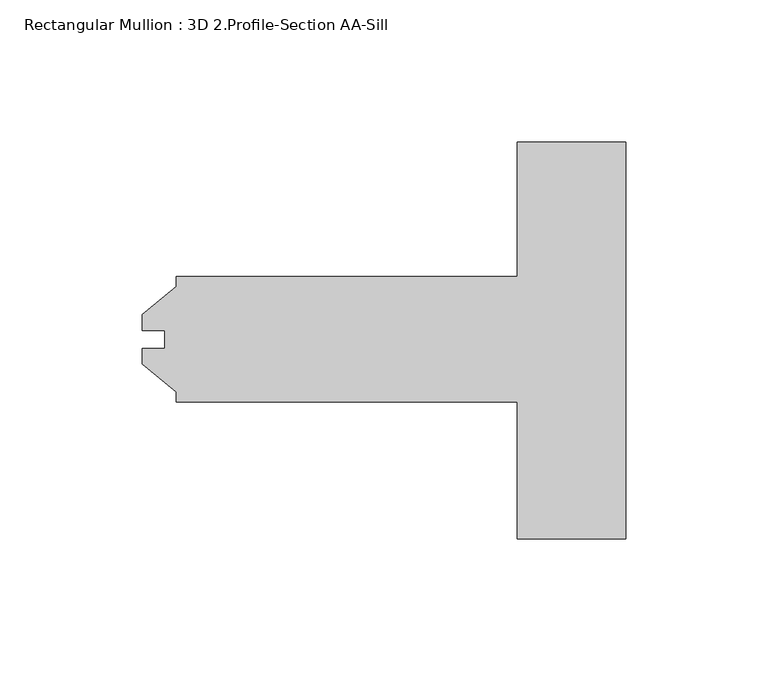
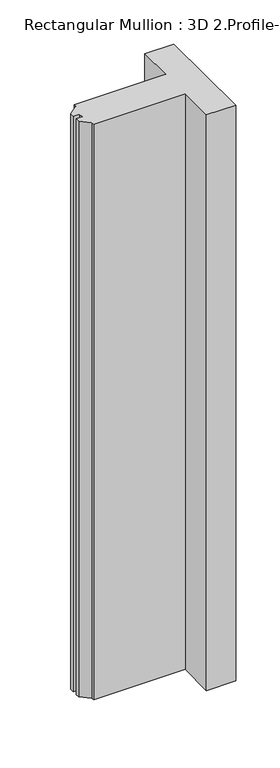
"""IFC4 building model written with IfcOpenShell, lengths in millimetres: member geometry, Rectangular Mullion : 3D 2.Profile-Section AA-Sill."""

import ifcopenshell
import ifcopenshell.guid

model = None  # the IFC model being written
_history = None  # IfcOwnerHistory: only IFC2X3 demands one
_inside = {}  # id of a spatial element -> (the spatial element, [elements in it])
_under = {}  # id of a project, library or spatial element -> (it, [spatial elements below it])
_declared = {}  # id of a project -> (the project, [libraries it declares])
_typed = {}  # id of a type object -> (the type object, [elements of that type])
_made_of = {}  # id of a material, layer set ... -> (it, [elements and type objects made of it])


def new_model(schema):
    """Start an empty IFC model of exactly this schema.

    Asked for "IFC4X3", IfcOpenShell would pick the latest addendum, in which some entities
    have other attributes; the version numbers below select the first issue.
    IFC2X3 requires an IfcOwnerHistory on every rooted entity: one is made here for all.
    """
    global model, _history
    if schema == "IFC4X3":
        model = ifcopenshell.file(schema_version=(4, 3, 0, 0))
    else:
        model = ifcopenshell.file(schema=schema)
    _inside.clear()
    _under.clear()
    _declared.clear()
    _typed.clear()
    _made_of.clear()
    _history = None
    if model.schema == "IFC2X3":
        org = make("IfcOrganization", Name="unknown")
        user = make(
            "IfcPersonAndOrganization",
            ThePerson=make("IfcPerson", FamilyName="unknown"),
            TheOrganization=org,
        )
        app = make(
            "IfcApplication",
            ApplicationDeveloper=org,
            Version="unknown",
            ApplicationFullName="unknown",
            ApplicationIdentifier="unknown",
        )
        _history = make(
            "IfcOwnerHistory",
            OwningUser=user,
            OwningApplication=app,
            ChangeAction="ADDED",
            CreationDate=0,
        )
    return model


def make(cls, **values):
    """One entity of the class cls with the attributes given. An attribute that is None is left unset."""
    return model.create_entity(
        cls, **{name: value for name, value in values.items() if value is not None}
    )


def rooted(cls, **values):
    """An entity with a GlobalId (a new one), such as an element, a storey or a relation."""
    return make(cls, GlobalId=ifcopenshell.guid.new(), OwnerHistory=_history, **values)


def si_unit(unit_type, name, prefix=None):
    """IfcSIUnit, for example si_unit("LENGTHUNIT", "METRE", prefix="MILLI")."""
    return make("IfcSIUnit", UnitType=unit_type, Prefix=prefix, Name=name)


def assignment(units):
    """IfcUnitAssignment: the units of a project."""
    return None if units is None else make("IfcUnitAssignment", Units=units)


def point(xyz):
    """IfcCartesianPoint."""
    return None if xyz is None else make("IfcCartesianPoint", Coordinates=xyz)


def direction(xyz):
    """IfcDirection."""
    return None if xyz is None else make("IfcDirection", DirectionRatios=xyz)


def frame(location, z_axis=None, x_axis=None):
    """IfcAxis2Placement3D, a coordinate frame: its origin and axes. An axis left out is left unset."""
    return make(
        "IfcAxis2Placement3D",
        Location=point(location),
        Axis=direction(z_axis),
        RefDirection=direction(x_axis),
    )


def origin():
    """The frame at (0, 0, 0) with its axes left unset."""
    return frame((0.0, 0.0, 0.0))


def place(relative_to, where):
    """IfcLocalPlacement: puts the frame where relative to a parent placement (None: the world)."""
    return make(
        "IfcLocalPlacement", PlacementRelTo=relative_to, RelativePlacement=where
    )


def context(
    kind, dimensions, precision=None, world=None, true_north=None, identifier=None
):
    """IfcGeometricRepresentationContext, for example the 3D "Model" context."""
    return make(
        "IfcGeometricRepresentationContext",
        ContextIdentifier=identifier,
        ContextType=kind,
        CoordinateSpaceDimension=dimensions,
        Precision=precision,
        WorldCoordinateSystem=world,
        TrueNorth=true_north,
    )


def project(units=None, contexts=None):
    """IfcProject with its units and contexts."""
    return rooted(
        "IfcProject",
        Name="project",
        RepresentationContexts=contexts,
        UnitsInContext=assignment(units),
    )


def spatial(cls, under=None, at=None, **own):
    """A site, building, storey or space (cls), placed at a placement, below another one or the project."""
    s = rooted(cls, ObjectPlacement=at, **own)
    if under is not None:
        _under.setdefault(under.id(), (under, []))[1].append(s)
    return s


def polyline(points):
    """IfcPolyline through the points."""
    return make("IfcPolyline", Points=[point(p) for p in points])


def outline(outer, holes=None, kind="AREA"):
    """IfcArbitraryClosedProfileDef: a profile drawn as a closed curve; with holes, ...WithVoids."""
    if holes is None:
        return make("IfcArbitraryClosedProfileDef", ProfileType=kind, OuterCurve=outer)
    return make(
        "IfcArbitraryProfileDefWithVoids",
        ProfileType=kind,
        OuterCurve=outer,
        InnerCurves=holes,
    )


def extrude(swept, where, along, depth):
    """IfcExtrudedAreaSolid: the profile swept, set in the frame where, extruded along a direction by depth."""
    return make(
        "IfcExtrudedAreaSolid",
        SweptArea=swept,
        Position=where,
        ExtrudedDirection=direction(along),
        Depth=depth,
    )


def shape(context_of_items, identifier, shape_type, items):
    """IfcShapeRepresentation: the items that make up one representation, for example the "Body"."""
    return make(
        "IfcShapeRepresentation",
        ContextOfItems=context_of_items,
        RepresentationIdentifier=identifier,
        RepresentationType=shape_type,
        Items=items,
    )


def source(mapping_origin, context_of_items, identifier, shape_type, items):
    """IfcRepresentationMap: a shape defined once, which mapped items show again and again."""
    return make(
        "IfcRepresentationMap",
        MappingOrigin=mapping_origin,
        MappedRepresentation=shape(context_of_items, identifier, shape_type, items),
    )


def transform(
    local_origin,
    x_axis=None,
    y_axis=None,
    z_axis=None,
    scale=None,
    scale2=None,
    scale3=None,
    uniform=True,
):
    """IfcCartesianTransformationOperator3D, or its non-uniform kind. x_axis, y_axis, z_axis: its Axis1, 2, 3."""
    if uniform:
        return make(
            "IfcCartesianTransformationOperator3D",
            Axis1=direction(x_axis),
            Axis2=direction(y_axis),
            LocalOrigin=point(local_origin),
            Scale=scale,
            Axis3=direction(z_axis),
        )
    return make(
        "IfcCartesianTransformationOperator3DnonUniform",
        Axis1=direction(x_axis),
        Axis2=direction(y_axis),
        LocalOrigin=point(local_origin),
        Scale=scale,
        Axis3=direction(z_axis),
        Scale2=scale2,
        Scale3=scale3,
    )


def mapped(mapping_source, mapping_target):
    """IfcMappedItem: shows the shape of a source again, moved by a transform."""
    return make(
        "IfcMappedItem", MappingSource=mapping_source, MappingTarget=mapping_target
    )


def made_of(thing, what):
    """Note that an element or type object is made of a material, layer set ...; save() writes the relation."""
    if what is not None:
        _made_of.setdefault(what.id(), (what, []))[1].append(thing)
    return thing


def element(
    cls,
    number,
    at=None,
    inside=None,
    cuts=None,
    type_object=None,
    material=None,
    context=None,
    identifier="Body",
    shape_type=None,
    held_by="IfcProductDefinitionShape",
    body=None,
    shapes=None,
    **own,
):
    """One element of the class cls, such as IfcWall. Its Tag is "e" and its number.

    at: its placement. inside: the storey or other place that contains it. cuts: it is an
    opening in that element (IfcRelVoidsElement). A single representation is given by context,
    identifier, shape_type and body (its items); several are given by shapes. held_by: the class
    of the entity that holds the representations. save() writes the other relations.
    """
    e = rooted(cls, Tag="e%d" % number, ObjectPlacement=at, **own)
    if body is not None:
        shapes = [shape(context, identifier, shape_type, body)]
    if shapes is not None:
        e.Representation = make(held_by, Representations=shapes)
    if inside is not None:
        _inside.setdefault(inside.id(), (inside, []))[1].append(e)
    if cuts is not None:
        rooted(
            "IfcRelVoidsElement", RelatingBuildingElement=cuts, RelatedOpeningElement=e
        )
    if type_object is not None:
        _typed.setdefault(type_object.id(), (type_object, []))[1].append(e)
    return made_of(e, material)


def aggregate(whole, parts):
    """IfcRelAggregates: a whole, such as a stair, and the parts it consists of."""
    return rooted("IfcRelAggregates", RelatingObject=whole, RelatedObjects=parts)


def save(model, path):
    """Write the relations noted so far, then the file.

    IfcRelAggregates (storeys below a building ...), IfcRelContainedInSpatialStructure (elements
    in a storey), IfcRelDefinesByType, IfcRelAssociatesMaterial and IfcRelDeclares: one each for
    every whole, place, type object, material and project.
    """
    for whole, parts in _under.values():
        aggregate(whole, parts)
    for where, things in _inside.values():
        rooted(
            "IfcRelContainedInSpatialStructure",
            RelatedElements=things,
            RelatingStructure=where,
        )
    for kind, things in _typed.values():
        rooted("IfcRelDefinesByType", RelatedObjects=things, RelatingType=kind)
    for what, things in _made_of.values():
        rooted("IfcRelAssociatesMaterial", RelatedObjects=things, RelatingMaterial=what)
    for by, libraries in _declared.values():
        rooted("IfcRelDeclares", RelatingContext=by, RelatedDefinitions=libraries)
    model.write(path)


def rectangular_mullion_3d_2_profile_section_aa_sill_9935aae9(model_context):
    return source(origin(), model_context, "Body", "SweptSolid", [
        extrude(outline(polyline([(-170.0647623, -3.2199168), (-162.1209123, -3.2199168), (-162.1209123, 3.1300832), (-170.0647623, 3.1300832), (-170.0647623, 8.7053832), (-158.1585123, 18.4739192), (-158.1585123, 22.0530832), (-38.1, 22.0530832), (-38.1, 69.3539062), (0.0, 69.3539062), (0.0, -70.3460937), (-38.1, -70.3460938), (-38.1, -22.1429168), (-158.1585123, -22.1429168), (-158.1585123, -18.5637528), (-170.0647623, -8.7952168), (-170.0647623, -3.2199168)])), frame((0.0, 0.0, -796.93135), z_axis=(0.0, 0.0, 1.0), x_axis=(1.0, 0.0, 0.0)), (0.0, 0.0, 1.0), 796.93135),
    ])


if __name__ == "__main__":
    model = new_model("IFC4")
    model_context = context("Model", 3, world=origin())
    ifc_project = project(units=[si_unit("LENGTHUNIT", "METRE", prefix="MILLI")], contexts=[model_context])
    site = spatial("IfcSite", under=ifc_project)
    building = spatial("IfcBuilding", under=site)
    placement = place(None, origin())
    rectangular_mullion_3d_2_profile_section_aa_sill_shape = rectangular_mullion_3d_2_profile_section_aa_sill_9935aae9(model_context)
    element("IfcMember", 1, ObjectType="Rectangular Mullion : 3D 2.Profile-Section AA-Sill", at=placement, inside=building, context=model_context, shape_type="MappedRepresentation", body=[
        mapped(rectangular_mullion_3d_2_profile_section_aa_sill_shape, transform((0.0, 0.0, 0.0), x_axis=(1.0, 0.0, 0.0), y_axis=(0.0, 1.0, 0.0), z_axis=(0.0, 0.0, 1.0))),
    ])
    save(model, "model.ifc")
